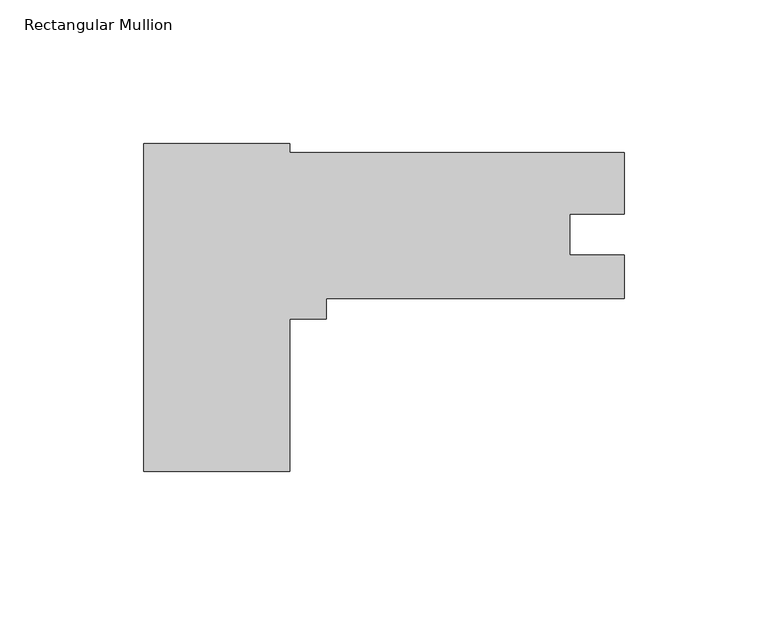
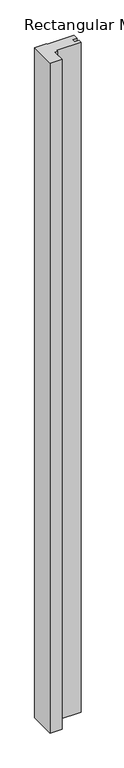
"""IFC4 building model written with IfcOpenShell, lengths in millimetres: member geometry, Rectangular Mullion."""

from ifc_helpers import new_model, si_unit, frame, origin, place, context, project, spatial, polyline, outline, extrude, source, transform, mapped, element, save


def rectangular_mullion_b2d0e633(model_context):
    return source(origin(), model_context, "Body", "SweptSolid", [
        extrude(outline(polyline([(-116.5860013, -57.1499365), (-167.3860013, -57.1499365), (-167.3860013, 57.1499365), (-116.5860013, 57.1499365), (-116.5860013, 53.9749365), (-1.3e-06, 53.9749365), (-1.3e-06, 32.5881299), (-19.0246, 32.5881299), (-19.0246, 18.2752365), (0.0, 18.2752365), (0.0, 3.1749365), (-103.8860013, 3.1749365), (-103.8860013, -3.9878635), (-116.5860013, -3.9878635), (-116.5860013, -57.1499365)])), frame((0.0, 0.0, -3048.0), z_axis=(0.0, 0.0, 1.0), x_axis=(1.0, 0.0, 0.0)), (0.0, 0.0, 1.0), 3048.0),
    ])


if __name__ == "__main__":
    model = new_model("IFC4")
    model_context = context("Model", 3, world=origin())
    ifc_project = project(units=[si_unit("LENGTHUNIT", "METRE", prefix="MILLI")], contexts=[model_context])
    site = spatial("IfcSite", under=ifc_project)
    building = spatial("IfcBuilding", under=site)
    placement = place(None, origin())
    rectangular_mullion_shape = rectangular_mullion_b2d0e633(model_context)
    element("IfcMember", 1, ObjectType="Rectangular Mullion", at=placement, inside=building, context=model_context, shape_type="MappedRepresentation", body=[
        mapped(rectangular_mullion_shape, transform((0.0, 0.0, 0.0), x_axis=(1.0, 0.0, 0.0), y_axis=(0.0, 1.0, 0.0), z_axis=(0.0, 0.0, 1.0))),
    ])
    save(model, "model.ifc")
